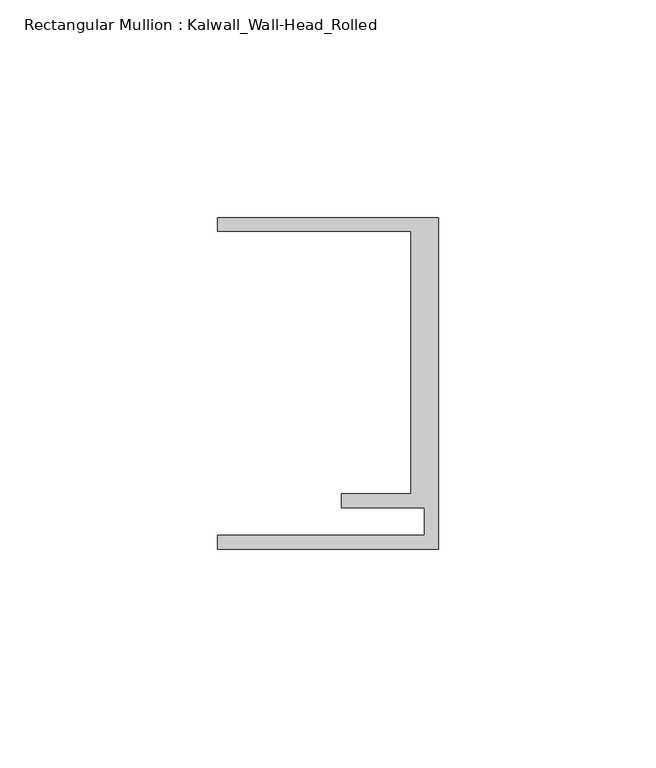
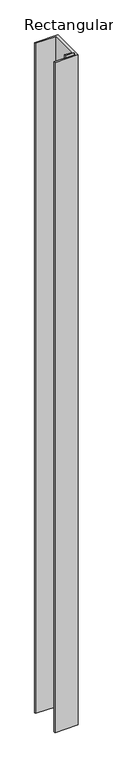
"""IFC4 building model written with IfcOpenShell, lengths in millimetres: member geometry, Rectangular Mullion : Kalwall_Wall-Head_Rolled."""

from ifc_helpers import new_model, si_unit, frame, origin, place, context, project, spatial, polyline, outline, extrude, source, transform, mapped, element, save


def rectangular_mullion_kalwall_wall_head_rolled_f8de0b15(model_context):
    return source(origin(), model_context, "Body", "SweptSolid", [
        extrude(outline(polyline([(0.0, 38.0270489), (0.0, -38.1729511), (-50.8, -38.1729511), (-50.8, -34.9979511), (-3.175, -34.9979511), (-3.175, -28.6479511), (-22.225, -28.6479511), (-22.225, -25.4729511), (-6.35, -25.4729511), (-6.35, 34.8520489), (-50.8, 34.8520489), (-50.8, 38.0270489), (0.0, 38.0270489)])), frame((0.0, 0.0, -1550.0813714), z_axis=(0.0, 0.0, 1.0), x_axis=(1.0, 0.0, 0.0)), (0.0, 0.0, 1.0), 1550.0813714),
    ])


if __name__ == "__main__":
    model = new_model("IFC4")
    model_context = context("Model", 3, world=origin())
    ifc_project = project(units=[si_unit("LENGTHUNIT", "METRE", prefix="MILLI")], contexts=[model_context])
    site = spatial("IfcSite", under=ifc_project)
    building = spatial("IfcBuilding", under=site)
    placement = place(None, origin())
    rectangular_mullion_kalwall_wall_head_rolled_shape = rectangular_mullion_kalwall_wall_head_rolled_f8de0b15(model_context)
    element("IfcMember", 1, ObjectType="Rectangular Mullion : Kalwall_Wall-Head_Rolled", at=placement, inside=building, context=model_context, shape_type="MappedRepresentation", body=[
        mapped(rectangular_mullion_kalwall_wall_head_rolled_shape, transform((0.0, 0.0, 0.0), x_axis=(1.0, 0.0, 0.0), y_axis=(0.0, 1.0, 0.0), z_axis=(0.0, 0.0, 1.0))),
    ])
    save(model, "model.ifc")
